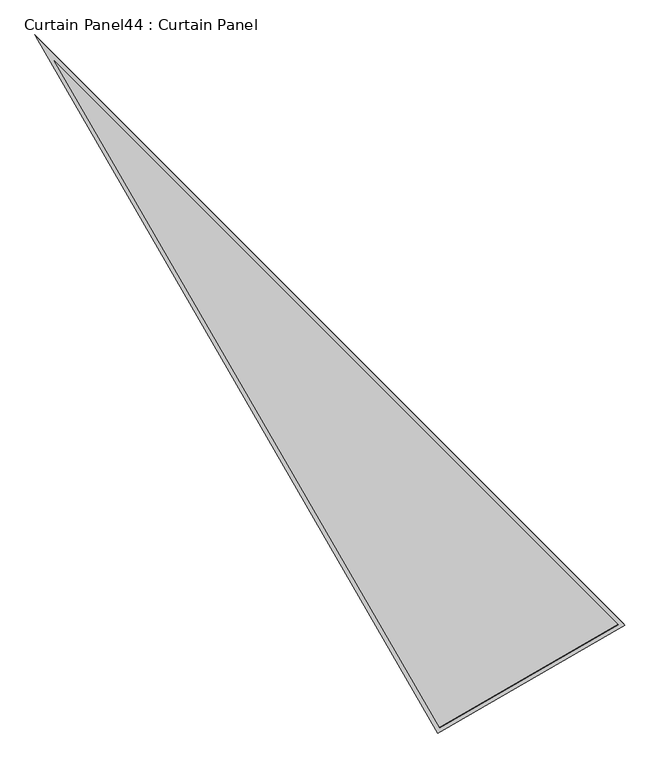
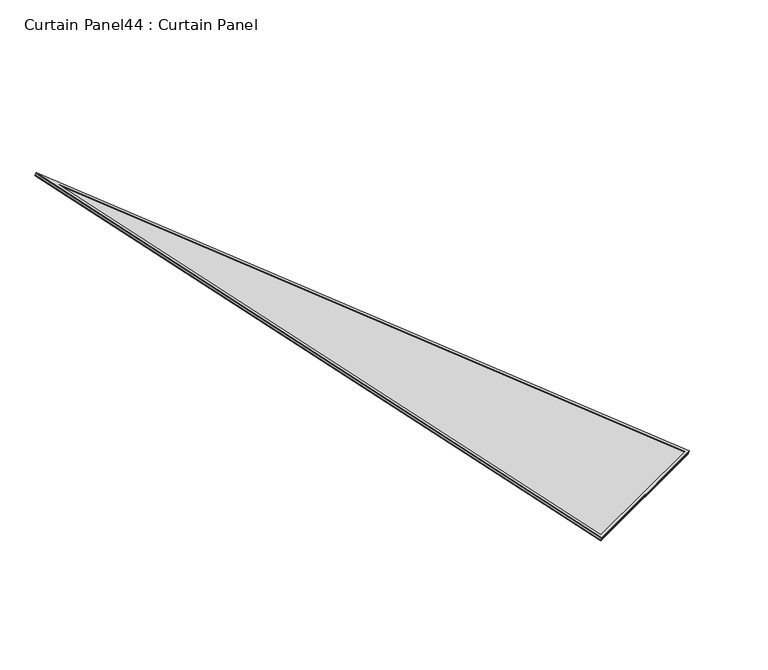
"""IFC4 building model written with IfcOpenShell, lengths in millimetres: plate geometry, Curtain Panel44 : Curtain Panel."""

from ifc_helpers import new_model, si_unit, frame, origin, place, context, project, spatial, polyline, outline, extrude, source, transform, mapped, element, save


def curtain_panel44_curtain_panel_d5d58daa(model_context):
    return source(origin(), model_context, "Body", "SweptSolid", [
        extrude(outline(polyline([(895.9373553, 0.0), (895.9373553, -3524.4506619), (0.0, 0.0), (895.9373553, 0.0)]), holes=[polyline([(879.2745574, -16.6627979), (21.4285393, -16.662798), (879.2745574, -3391.2692346), (879.2745574, -16.6627979)])]), frame((17146.0553557, -3542.8280796, 898.7004963), z_axis=(0.15807291198690215, -0.2737903148616825, 0.9487106081329131), x_axis=(-0.8660254037844418, -0.4999999999999946, 0.0)), (0.0, 0.0, 1.0), 4.8313962),
        extrude(outline(polyline([(895.9373553, 0.0), (895.9373554, -3524.4506618), (0.0, 0.0), (895.9373553, 0.0)]), holes=[polyline([(885.6245575, -10.3127979), (13.2623702, -10.3127978), (885.6245575, -3442.0231397), (885.6245575, -10.3127979)])]), frame((17143.2689477, -3538.0018793, 881.9772337), z_axis=(0.15807291198690274, -0.27379031486168437, 0.9487106081329126), x_axis=(-0.8660254037844425, -0.49999999999999345, 0.0)), (0.0, 0.0, 1.0), 4.77096),
        extrude(outline(polyline([(20.1836541, 0.0), (916.1210096, 0.0), (916.1210095, -3524.4506617), (20.1836541, 0.0)])), frame((17161.5026645, -3529.2162949, 886.5034941), z_axis=(0.15807291198690063, -0.2737903148616807, 0.948710608132914), x_axis=(-0.8660254037844433, -0.49999999999999195, 0.0)), (0.0, 0.0, 1.0), 12.8563991),
    ])


if __name__ == "__main__":
    model = new_model("IFC4")
    model_context = context("Model", 3, world=origin())
    ifc_project = project(units=[si_unit("LENGTHUNIT", "METRE", prefix="MILLI")], contexts=[model_context])
    site = spatial("IfcSite", under=ifc_project)
    building = spatial("IfcBuilding", under=site)
    placement = place(None, origin())
    curtain_panel44_curtain_panel_shape = curtain_panel44_curtain_panel_d5d58daa(model_context)
    element("IfcPlate", 1, ObjectType="Curtain Panel44 : Curtain Panel", at=placement, inside=building, context=model_context, shape_type="MappedRepresentation", body=[
        mapped(curtain_panel44_curtain_panel_shape, transform((0.0, 0.0, 0.0), x_axis=(1.0, 0.0, 0.0), y_axis=(0.0, 1.0, 0.0), z_axis=(0.0, 0.0, 1.0))),
    ])
    save(model, "model.ifc")
